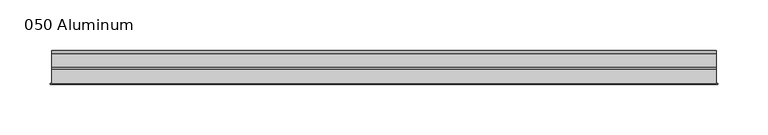
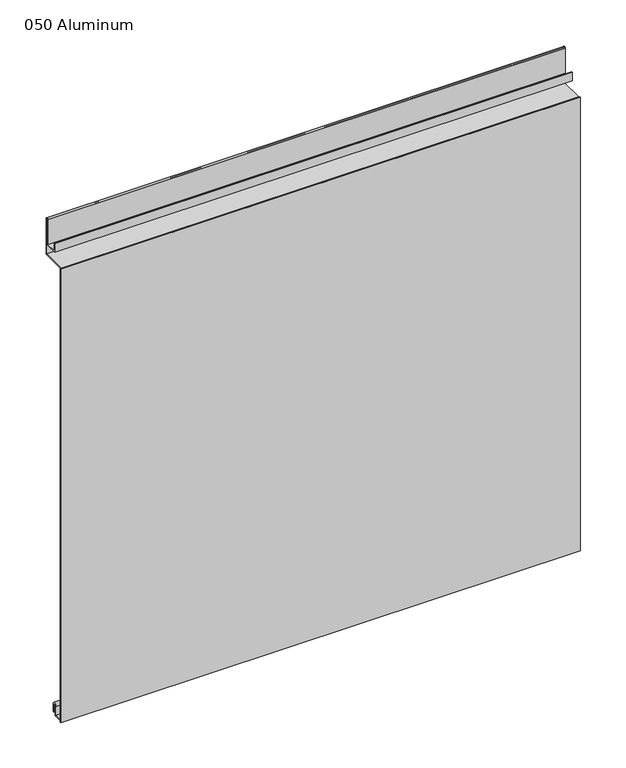
"""IFC4 building model written with IfcOpenShell, lengths in millimetres: plate geometry, 050 Aluminum."""

from ifc_helpers import new_model, si_unit, point, frame, frame_2d, origin, origin_with_axes, place, context, project, spatial, polyline, circle_curve, trimmed, segment, composite_curve, outline, extrude, source, transform, mapped, element, save


def plate_050_aluminum_5c38f66c(model_context):
    return source(origin(), model_context, "Body", "SweptSolid", [
        extrude(outline(composite_curve([segment(polyline([(-16.6765477, 13.1458337), (-16.6765477, 2.786437), (-17.9464915, 2.786437), (-17.9464915, 13.1323356)]), True, "CONTINUOUS"), segment(trimmed(circle_curve(frame_2d((-19.8514743, 13.124237)), 1.905), [point((-17.9464915, 13.1323356))], [point((-21.7564743, 13.124237))], True, "CARTESIAN"), True, "CONTINUOUS"), segment(polyline([(-21.7564743, 13.124237), (-21.7564743, 0.0), (-34.7980002, 0.0), (-34.7980002, 1.2693678), (-23.0264743, 1.2693678), (-23.0264743, 13.124237)]), True, "CONTINUOUS"), segment(trimmed(circle_curve(frame_2d((-19.8514743, 13.124237)), 3.175), [point((-23.0264743, 13.124237))], [point((-16.6765477, 13.1458337))], False, "CARTESIAN"), True, "CONTINUOUS")], self_intersect=False)), frame((-328.93, 0.0, 0.0), z_axis=(1.0, 0.0, 0.0), x_axis=(0.0, 1.0, 0.0)), (0.0, 0.0, 1.0), 657.86),
        extrude(outline(composite_curve([segment(polyline([(-2.0574743, 656.7932001), (-2.0574743, 608.33), (-34.7980002, 608.33), (-34.7980002, 609.6000001), (-3.3274743, 609.6000001), (-3.3274743, 656.7932001)]), True, "CONTINUOUS"), segment(trimmed(circle_curve(frame_2d((-3.7084742, 656.7932001)), 0.3809999), [point((-3.3274743, 656.7932001))], [point((-4.0894742, 656.7932001))], True, "CARTESIAN"), True, "CONTINUOUS"), segment(polyline([(-4.0894742, 656.7932001), (-4.0894742, 622.3), (-20.4864742, 622.3), (-20.4864742, 633.6538), (-19.2164743, 633.6538), (-19.2164743, 623.57), (-5.3594742, 623.57), (-5.3594742, 656.7932001)]), True, "CONTINUOUS"), segment(trimmed(circle_curve(frame_2d((-3.7084742, 656.7932001)), 1.6509999), [point((-5.3594742, 656.7932001))], [point((-2.0574743, 656.7932001))], False, "CARTESIAN"), True, "CONTINUOUS")], self_intersect=False)), frame((-328.93, 0.0, 0.0), z_axis=(1.0, 0.0, 0.0), x_axis=(0.0, 1.0, 0.0)), (0.0, 0.0, 1.0), 657.86),
        extrude(outline(polyline([(-330.2, -36.068), (-330.2, -34.7980001), (330.2, -34.7980001), (330.2, -36.068), (-330.2, -36.068)])), origin_with_axes(), (0.0, 0.0, 1.0), 609.6),
    ])


if __name__ == "__main__":
    model = new_model("IFC4")
    model_context = context("Model", 3, world=origin())
    ifc_project = project(units=[si_unit("LENGTHUNIT", "METRE", prefix="MILLI")], contexts=[model_context])
    site = spatial("IfcSite", under=ifc_project)
    building = spatial("IfcBuilding", under=site)
    placement = place(None, origin())
    plate_050_aluminum_shape = plate_050_aluminum_5c38f66c(model_context)
    element("IfcPlate", 1, ObjectType="050 Aluminum", at=placement, inside=building, context=model_context, shape_type="MappedRepresentation", body=[
        mapped(plate_050_aluminum_shape, transform((0.0, 0.0, 0.0), x_axis=(1.0, 0.0, 0.0), y_axis=(0.0, 1.0, 0.0), z_axis=(0.0, 0.0, 1.0))),
    ])
    save(model, "model.ifc")
